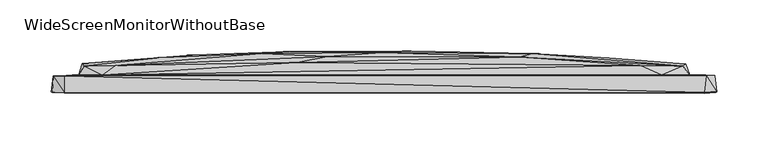
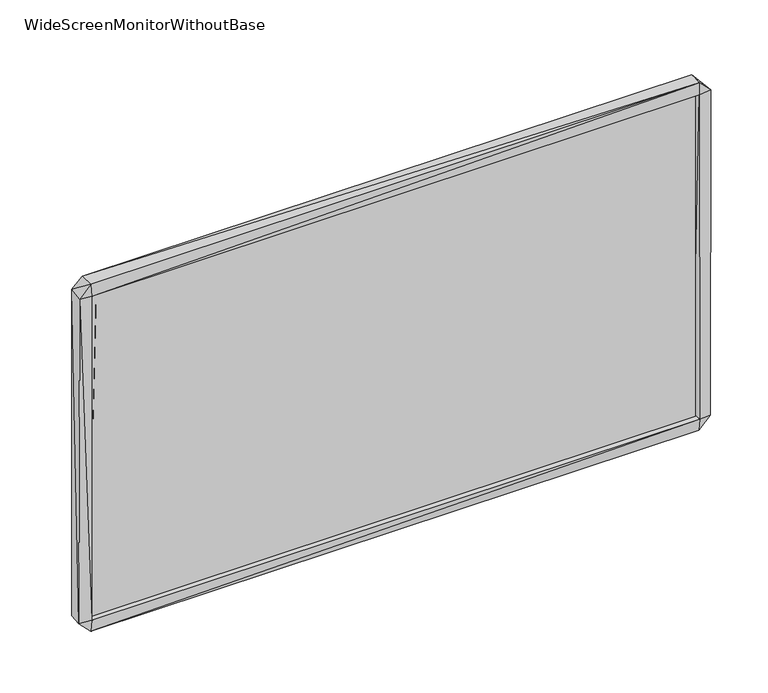
"""IFC4 building model written with IfcOpenShell, lengths in millimetres: furniture geometry, WideScreenMonitorWithoutBase."""

from ifc_helpers import new_model, si_unit, origin, place, context, project, spatial, triangles, source, transform, mapped, element, save


def widescreenmonitorwithoutbase_d8b1adad(model_context):
    return source(origin(), model_context, "Body", "Tessellation", [
        triangles([(309.568786, 1.4711283, 15.0042361), (309.568786, 1.4711283, 362.8313416), (309.568786, -0.1288716, 15.0042361), (309.568786, -0.1288716, 362.8313416), (-309.774769, -0.128906, 362.8313416), (-309.774769, 1.4710938, 362.8313416), (-309.774769, 1.4710938, 15.0042361), (-309.774769, -0.128906, 15.0042361)], [[1, 2, 3], [3, 2, 4], [5, 4, 2], [5, 2, 6], [7, 1, 3], [7, 3, 8], [7, 6, 1], [7, 8, 5], [7, 5, 6], [8, 3, 4], [8, 4, 5], [1, 6, 2]]),
        triangles([(144.6974542, 35.0200054, 209.4644129), (290.9615097, 22.8200165, 336.8477895), (294.2615081, 24.6200179, 265.2561019), (-216.6306906, 30.9199899, 253.1560956), (-292.3127172, 22.9199832, 332.8519578), (-262.0717033, 23.2199853, 352.2477579), (-119.2486532, 34.9199911, 252.9560896), (-55.2666348, 31.9199925, 312.3519373), (-1.9256101, 36.0199989, 260.7561041), (131.6974573, 31.6200063, 300.1519371), (297.8614882, 14.3200175, 334.8519447), (-274.4716913, 14.3199858, 355.6477684), (-297.3127027, 14.3199846, 336.0477656), (-85.2076261, 26.1199945, 352.5477759), (249.8204707, 23.5200124, 352.447782), (270.9204909, 14.3200164, 355.4477806), (322.2615068, 13.5200187, 365.8477635), (-323.5127023, -3.0800179, 365.5477818), (-311.9127199, -2.7800172, 377.64777), (-322.3127028, 13.2199836, 365.8477635), (-311.512708, -3.3800172, 364.8477882), (-311.9127199, 13.1199818, 376.2477465), (311.9615178, -2.7799822, 377.64777), (313.8614745, 13.420018, 375.6477831), (-309.212703, 3.8199825, 362.5477833), (309.2615009, 3.8200169, 362.5477833), (311.5615059, -3.4799827, 364.9477821), (324.2614938, -2.579982, 365.447788), (-324.3127261, -2.4800176, 13.1810371), (-322.1127151, 13.5199823, 11.2810372), (-312.5127196, -3.1800174, 1.481037), (-311.6127382, -3.5800169, 13.4810369), (-297.5127086, 14.3199846, 42.2810357), (-281.9127161, 14.2199839, 25.181037), (-310.5127327, 13.2199836, 2.281037), (311.7614937, -2.5799825, 0.581037), (311.9615178, -4.0799827, 13.1810371), (-309.212703, 3.8199825, 16.0810372), (309.2615009, 3.720017, 16.0810372), (310.1615187, 13.5200187, 2.381037), (274.2204712, 14.3200164, 23.2810349), (-293.8127164, 23.0199816, 47.5768834), (-270.3717054, 22.9199854, 27.281036), (-161.3896766, 31.5199897, 85.9727229), (-24.9666356, 33.5199993, 83.5768844), (154.8384594, 25.1200079, 25.8810374), (144.0974635, 31.3200064, 78.176887), (291.1615156, 23.0200157, 46.276881), (297.8614882, 14.3200175, 43.3768808), (322.5614885, 13.3200184, 14.6810363), (323.4615063, -3.0799821, 12.8810372), (-293.9127103, 25.419985, 196.7644069), (-186.3896768, 33.519988, 169.6644077), (-91.8076229, 36.8199955, 168.4644264), (26.615413, 37.4199974, 162.0685777), (219.5794569, 30.9200127, 135.7685751)], [[1, 2, 3], [4, 5, 6], [4, 6, 7], [7, 8, 9], [7, 6, 8], [9, 8, 10], [3, 2, 11], [5, 12, 6], [5, 13, 12], [8, 6, 14], [8, 14, 10], [10, 14, 15], [10, 15, 2], [11, 16, 17], [11, 2, 16], [18, 19, 20], [18, 21, 19], [20, 22, 13], [20, 19, 22], [19, 21, 23], [19, 23, 22], [22, 12, 13], [22, 24, 12], [22, 23, 24], [21, 25, 26], [21, 26, 27], [21, 27, 23], [12, 14, 6], [12, 15, 14], [12, 16, 15], [12, 24, 16], [15, 16, 2], [16, 24, 17], [27, 28, 23], [23, 28, 24], [24, 28, 17], [29, 18, 20], [29, 20, 30], [29, 30, 31], [29, 31, 32], [29, 32, 18], [30, 33, 34], [30, 34, 35], [30, 20, 33], [30, 35, 31], [31, 35, 36], [31, 36, 37], [31, 37, 32], [32, 38, 21], [32, 39, 38], [32, 37, 39], [32, 21, 18], [35, 40, 36], [35, 34, 41], [35, 41, 40], [38, 25, 21], [38, 39, 26], [38, 26, 25], [33, 20, 13], [33, 42, 34], [33, 13, 42], [34, 43, 41], [34, 42, 43], [43, 42, 44], [43, 45, 46], [43, 44, 45], [43, 46, 41], [46, 45, 47], [46, 47, 48], [46, 48, 41], [41, 48, 49], [41, 50, 40], [41, 49, 50], [39, 37, 27], [39, 27, 26], [40, 51, 36], [40, 50, 51], [36, 51, 37], [37, 51, 27], [50, 49, 17], [50, 28, 51], [50, 17, 28], [51, 28, 27], [42, 52, 53], [42, 53, 44], [42, 13, 52], [45, 44, 54], [45, 55, 47], [45, 54, 55], [47, 55, 56], [47, 56, 48], [48, 3, 49], [48, 56, 3], [49, 11, 17], [49, 3, 11], [44, 53, 54], [55, 54, 9], [55, 1, 56], [55, 9, 1], [56, 1, 3], [52, 4, 53], [52, 5, 4], [52, 13, 5], [53, 4, 7], [53, 7, 54], [54, 7, 9], [1, 9, 10], [1, 10, 2]]),
    ])


if __name__ == "__main__":
    model = new_model("IFC4")
    model_context = context("Model", 3, world=origin())
    ifc_project = project(units=[si_unit("LENGTHUNIT", "METRE", prefix="MILLI")], contexts=[model_context])
    site = spatial("IfcSite", under=ifc_project)
    building = spatial("IfcBuilding", under=site)
    placement = place(None, origin())
    widescreenmonitorwithoutbase_shape = widescreenmonitorwithoutbase_d8b1adad(model_context)
    element("IfcFurniture", 1, ObjectType="WideScreenMonitorWithoutBase", at=placement, inside=building, context=model_context, shape_type="MappedRepresentation", body=[
        mapped(widescreenmonitorwithoutbase_shape, transform((0.0, 0.0, 0.0), x_axis=(1.0, 0.0, 0.0), y_axis=(0.0, 1.0, 0.0), z_axis=(0.0, 0.0, 1.0))),
    ])
    save(model, "model.ifc")
